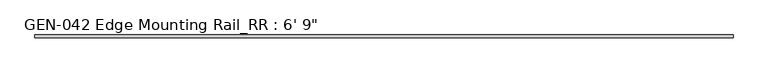
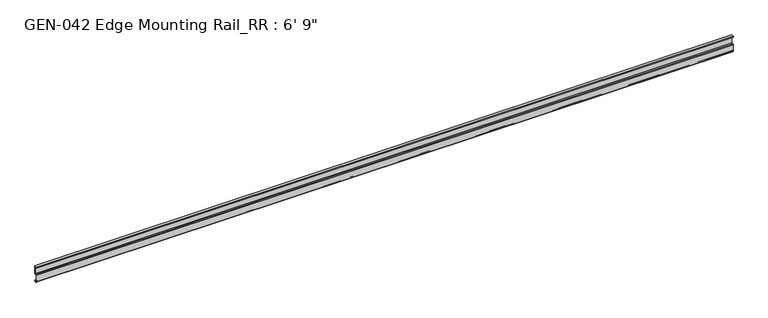
"""IFC4 building model written with IfcOpenShell, lengths in millimetres: proxy geometry."""

from ifc_helpers import new_model, si_unit, point, frame, frame_2d, origin, place, context, project, spatial, polyline, circle_curve, trimmed, segment, composite_curve, outline, extrude, source, transform, mapped, element, save


def proxy_76b36795(model_context):
    return source(origin(), model_context, "Body", "SweptSolid", [
        extrude(outline(composite_curve([segment(polyline([(-13.6400687, -32.1158903), (-15.4750158, -32.6885982)]), True, "CONTINUOUS"), segment(trimmed(circle_curve(frame_2d((-15.6853088, -32.2686835)), 0.4696291), [point((-15.4750158, -32.6885982))], [point((-16.1549378, -32.2686835))], False, "CARTESIAN"), True, "CONTINUOUS"), segment(polyline([(-16.1549378, -32.2686835), (-16.1549378, -30.7270734)]), True, "CONTINUOUS"), segment(trimmed(circle_curve(frame_2d((-17.7424378, -30.7270734)), 1.5875), [point((-16.1549378, -30.7270734))], [point((-17.7424378, -29.1395734))], True, "CARTESIAN"), True, "CONTINUOUS"), segment(polyline([(-17.7424378, -29.1395734), (-19.05, -29.1395734), (-19.05, -8.5020734)]), True, "CONTINUOUS"), segment(trimmed(circle_curve(frame_2d((-17.4625, -8.5020734)), 1.5875), [point((-19.05, -8.5020734))], [point((-17.4625, -6.9145734))], False, "CARTESIAN"), True, "CONTINUOUS"), segment(polyline([(-17.4625, -6.9145734), (-12.7, -6.9145734), (-12.7, 15.2917515), (-17.4625, 15.2917515), (-17.4625, 13.7042515), (-19.05, 13.7042515), (-19.05, 16.8792515), (-11.1125, 16.8792515), (-11.1125, -8.5248329), (-15.875, -8.5248329)]), True, "CONTINUOUS"), segment(trimmed(circle_curve(frame_2d((-15.875, -10.1123329)), 1.5875), [point((-15.875, -8.5248329))], [point((-17.4625, -10.1123329))], True, "CARTESIAN"), True, "CONTINUOUS"), segment(polyline([(-17.4625, -10.1123329), (-17.4625, -12.4909614), (-17.9716639, -13.408381), (-17.9716639, -14.7485418), (-17.4625, -15.6659614), (-17.4625, -26.8535734)]), True, "CONTINUOUS"), segment(trimmed(circle_curve(frame_2d((-16.9545, -26.8535734)), 0.508), [point((-17.4625, -26.8535734))], [point((-16.9376166, -27.3612928))], True, "CARTESIAN"), True, "CONTINUOUS"), segment(trimmed(circle_curve(frame_2d((-16.9169378, -26.5995734)), 0.762), [point((-16.9376166, -27.3612928))], [point((-16.1779173, -26.4138515))], True, "CARTESIAN"), True, "CONTINUOUS"), segment(trimmed(circle_curve(frame_2d((-15.6245238, -26.2747792)), 0.5706009), [point((-16.1779173, -26.4138515))], [point((-15.4364113, -25.7360779))], False, "CARTESIAN"), True, "CONTINUOUS"), segment(polyline([(-15.4364113, -25.7360779), (-13.6400687, -26.2967369)]), True, "CONTINUOUS"), segment(trimmed(circle_curve(frame_2d((-14.5481808, -29.2063136)), 3.048), [point((-13.6400687, -26.2967369))], [point((-11.9462301, -30.7938136))], False, "CARTESIAN"), True, "CONTINUOUS"), segment(trimmed(circle_curve(frame_2d((-14.5481808, -29.2063136)), 3.048), [point((-11.9462301, -30.7938136))], [point((-13.6400687, -32.1158903))], False, "CARTESIAN"), True, "CONTINUOUS")], self_intersect=False)), frame((-1752.6, 0.0, 0.0), z_axis=(1.0, 0.0, 0.0), x_axis=(0.0, 1.0, 0.0)), (0.0, 0.0, 1.0), 2057.4),
    ])


if __name__ == "__main__":
    model = new_model("IFC4")
    model_context = context("Model", 3, world=origin())
    ifc_project = project(units=[si_unit("LENGTHUNIT", "METRE", prefix="MILLI")], contexts=[model_context])
    site = spatial("IfcSite", under=ifc_project)
    building = spatial("IfcBuilding", under=site)
    placement = place(None, origin())
    proxy_shape = proxy_76b36795(model_context)
    element("IfcBuildingElementProxy", 1, Name="GEN-042 Edge Mounting Rail_RR : 6' 9\"", ObjectType="GEN-042 Edge Mounting Rail_RR : 6' 9\"", at=placement, inside=building, context=model_context, shape_type="MappedRepresentation", body=[
        mapped(proxy_shape, transform((0.0, 0.0, 0.0), x_axis=(1.0, 0.0, 0.0), y_axis=(0.0, 1.0, 0.0), z_axis=(0.0, 0.0, 1.0))),
    ])
    save(model, "model.ifc")
